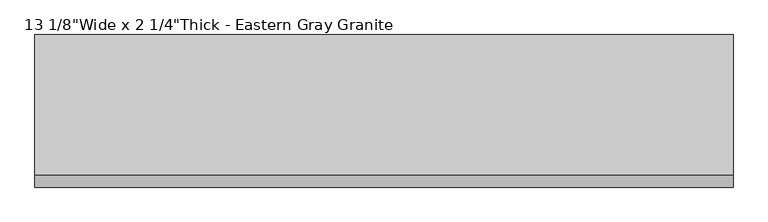
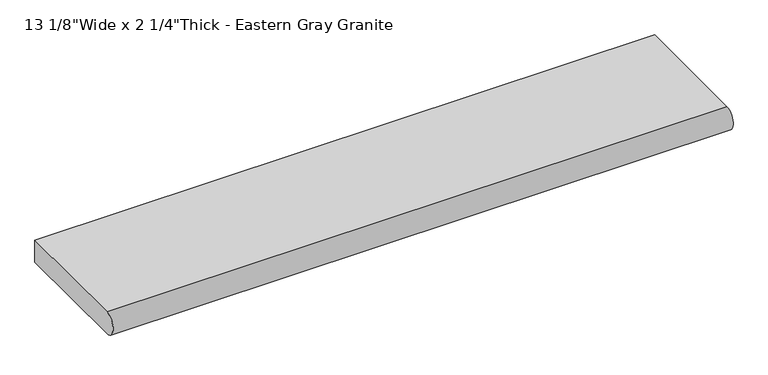
"""IFC4 building model written with IfcOpenShell, lengths in millimetres: proxy geometry."""

from ifc_helpers import new_model, si_unit, point, frame, frame_2d, origin, place, context, project, spatial, polyline, circle_curve, trimmed, segment, composite_curve, outline, extrude, source, transform, mapped, element, save


def proxy_e9c8ccb1(model_context):
    return source(origin(), model_context, "Body", "SweptSolid", [
        extrude(outline(composite_curve([segment(trimmed(circle_curve(frame_2d((-304.6812614, 28.575)), 28.6841519), [point((-307.18125, 0.0))], [point((-307.18125, 57.15))], False, "CARTESIAN"), True, "CONTINUOUS"), segment(polyline([(-307.18125, 57.15), (0.0, 57.15), (0.0, 0.0), (-307.18125, 0.0)]), True, "CONTINUOUS")], self_intersect=False)), frame((0.0, 0.0, 0.0), z_axis=(1.0, 0.0, 0.0), x_axis=(0.0, 1.0, 0.0)), (0.0, 0.0, 1.0), 1524.0),
    ])


if __name__ == "__main__":
    model = new_model("IFC4")
    model_context = context("Model", 3, world=origin())
    ifc_project = project(units=[si_unit("LENGTHUNIT", "METRE", prefix="MILLI")], contexts=[model_context])
    site = spatial("IfcSite", under=ifc_project)
    building = spatial("IfcBuilding", under=site)
    placement = place(None, origin())
    proxy_shape = proxy_e9c8ccb1(model_context)
    element("IfcBuildingElementProxy", 1, Name="13 1/8\"Wide x 2 1/4\"Thick - Eastern Gray Granite", ObjectType="13 1/8\"Wide x 2 1/4\"Thick - Eastern Gray Granite", at=placement, inside=building, context=model_context, shape_type="MappedRepresentation", body=[
        mapped(proxy_shape, transform((0.0, 0.0, 0.0), x_axis=(1.0, 0.0, 0.0), y_axis=(0.0, 1.0, 0.0), z_axis=(0.0, 0.0, 1.0))),
    ])
    save(model, "model.ifc")
